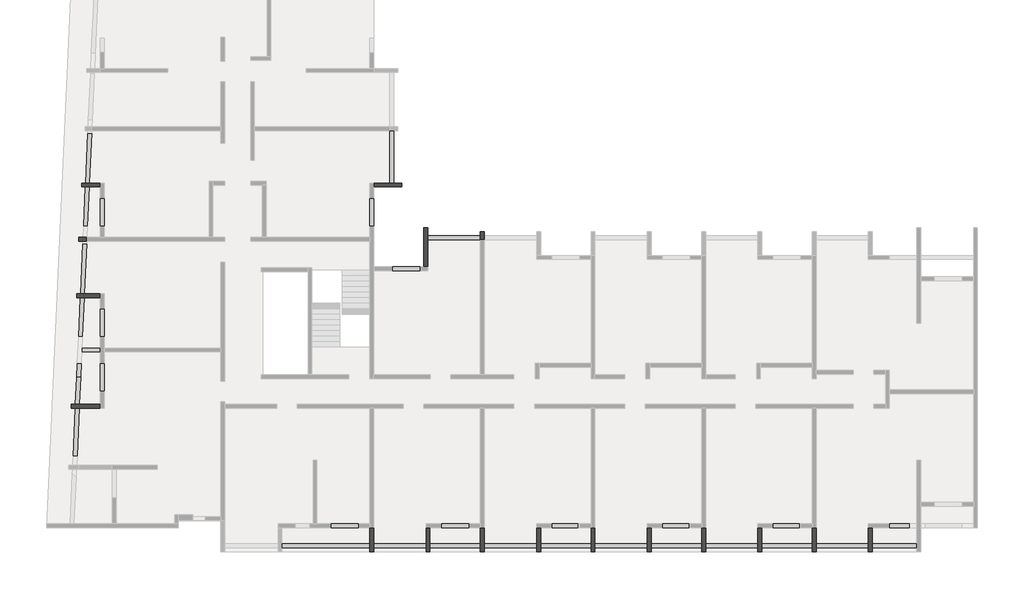
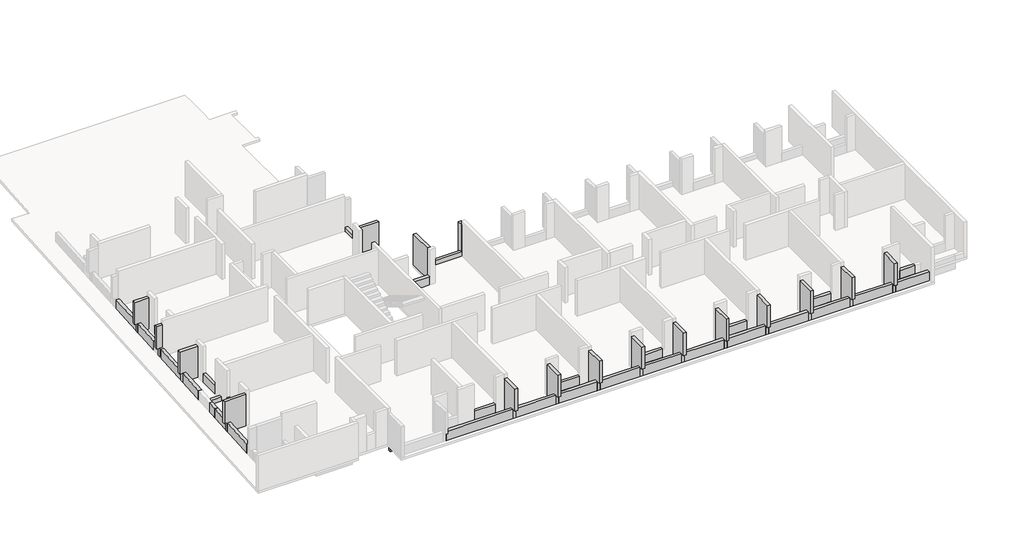
# One storey, part 4 of 5: 50 beams.
"""IFC4 building model written with IfcOpenShell, lengths in millimetres."""

from ifc_helpers import new_model, si_unit, frame, origin, place, context, project, spatial, polyline, outline, extrude, faceted_brep, element, save

model = new_model("IFC4")

# Units and contexts
model_context = context("Model", 3, world=origin())
ifc_project = project(units=[si_unit("LENGTHUNIT", "METRE", prefix="MILLI")], contexts=[model_context])

# Site, building, storey
site = spatial("IfcSite", under=ifc_project)
building = spatial("IfcBuilding", under=site)
storey = spatial("IfcBuildingStorey", under=building, Elevation=4700.0)

# Beams
placement = place(None, origin())
element("IfcBeam", 1, ObjectType="V. 20/60", at=placement, inside=storey, context=model_context, shape_type="SweptSolid", body=[
    extrude(outline(polyline([(-23625.6912908, -18849.1283129), (-23625.6912908, -19049.1283129), (-29015.6912908, -19049.1283129), (-29015.6912908, -18849.1283129), (-23625.6912908, -18849.1283129)])), frame((0.0, 0.0, 4100.0), z_axis=(0.0, 0.0, 1.0), x_axis=(1.0, 0.0, 0.0)), (0.0, 0.0, 1.0), 450.0),
    extrude(outline(polyline([(-31935.6912908, -19049.1283129), (-31935.6912908, -18849.1283129), (-29315.6912908, -18849.1283129), (-29315.6912908, -19049.1283129), (-31935.6912908, -19049.1283129)])), frame((0.0, 0.0, 4100.0), z_axis=(0.0, 0.0, 1.0), x_axis=(1.0, 0.0, 0.0)), (0.0, 0.0, 1.0), 450.0),
    extrude(outline(polyline([(-32235.6912908, -18849.1283129), (-32235.6912908, -19049.1283129), (-36735.6912908, -19049.1283129), (-36735.6912908, -18849.1283129), (-32235.6912908, -18849.1283129)])), frame((0.0, 0.0, 4100.0), z_axis=(0.0, 0.0, 1.0), x_axis=(1.0, 0.0, 0.0)), (0.0, 0.0, 1.0), 450.0),
])
element("IfcBeam", 2, ObjectType="VI. 20/238", at=placement, inside=storey, context=model_context, shape_type="Brep", body=[
    faceted_brep([(-26495.6912908, -3999.0672499, 6930.0), (-26295.6912908, -3999.0672499, 6930.0), (-26295.6912908, -3999.0672499, 4700.0), (-26495.6912908, -3999.0672499, 4700.0), (-26295.6912908, -6004.0672499, 6930.0), (-26495.6912908, -6004.0672499, 6930.0), (-26495.6912908, -6004.0672499, 4700.0), (-26295.6912908, -6004.0672499, 4700.0), (-26295.6912908, -4599.0672499, 4700.0), (-26295.6912908, -4399.0672499, 4700.0)], [[[0, 1, 2, 3]], [[4, 5, 6, 7]], [[1, 4, 7, 8, 9, 2]], [[5, 0, 3, 6]], [[1, 0, 5, 4]], [[3, 2, 9, 8, 7, 6]]]),
])
element("IfcBeam", 3, ObjectType="VI. 20/238", at=placement, inside=storey, context=model_context, shape_type="Brep", body=[
    faceted_brep([(-3415.6912908, -20669.0672499, 6930.0), (-3615.6912908, -20669.0672499, 6930.0), (-3615.6912908, -20669.0672499, 5350.0), (-3415.6912908, -20669.0672499, 5350.0), (-3615.6912908, -19419.0672499, 6930.0), (-3415.6912908, -19419.0672499, 6930.0), (-3415.6912908, -19419.0672499, 4700.0), (-3615.6912908, -19419.0672499, 4700.0), (-3615.6912908, -20249.0672499, 4700.0), (-3615.6912908, -20449.0672499, 4700.0), (-3615.6912908, -20449.0672499, 5350.0), (-3415.6912908, -20449.0672499, 5350.0), (-3415.6912908, -20449.0672499, 4700.0), (-3415.6912908, -20249.0672499, 4700.0)], [[[0, 1, 2, 3]], [[4, 5, 6, 7]], [[1, 4, 7, 8, 9, 10, 2]], [[5, 0, 3, 11, 12, 13, 6]], [[1, 0, 5, 4]], [[7, 6, 13, 12, 9, 8]], [[11, 10, 9, 12]], [[10, 11, 3, 2]]]),
])
element("IfcBeam", 4, ObjectType="VI. 20/238", at=placement, inside=storey, context=model_context, shape_type="Brep", body=[
    faceted_brep([(-6305.6912908, -20669.0672499, 6930.0), (-6505.6912908, -20669.0672499, 6930.0), (-6505.6912908, -20669.0672499, 5350.0), (-6305.6912908, -20669.0672499, 5350.0), (-6505.6912908, -19419.0672499, 6930.0), (-6305.6912908, -19419.0672499, 6930.0), (-6305.6912908, -19419.0672499, 4700.0), (-6505.6912908, -19419.0672499, 4700.0), (-6505.6912908, -20249.0672499, 4700.0), (-6505.6912908, -20449.0672499, 4700.0), (-6505.6912908, -20449.0672499, 5350.0), (-6305.6912908, -20449.0672499, 5350.0), (-6305.6912908, -20449.0672499, 4700.0), (-6305.6912908, -20249.0672499, 4700.0)], [[[0, 1, 2, 3]], [[4, 5, 6, 7]], [[1, 4, 7, 8, 9, 10, 2]], [[5, 0, 3, 11, 12, 13, 6]], [[1, 0, 5, 4]], [[7, 6, 13, 12, 9, 8]], [[11, 10, 9, 12]], [[10, 11, 3, 2]]]),
])
element("IfcBeam", 5, ObjectType="VI. 20/238", at=placement, inside=storey, context=model_context, shape_type="Brep", body=[
    faceted_brep([(-9105.6912908, -20669.0672499, 6930.0), (-9305.6912908, -20669.0672499, 6930.0), (-9305.6912908, -20669.0672499, 5350.0), (-9105.6912908, -20669.0672499, 5350.0), (-9305.6912908, -19419.0672499, 6930.0), (-9105.6912908, -19419.0672499, 6930.0), (-9105.6912908, -19419.0672499, 4700.0), (-9305.6912908, -19419.0672499, 4700.0), (-9305.6912908, -20249.0672499, 4700.0), (-9305.6912908, -20449.0672499, 4700.0), (-9305.6912908, -20449.0672499, 5350.0), (-9105.6912908, -20449.0672499, 5350.0), (-9105.6912908, -20449.0672499, 4700.0), (-9105.6912908, -20249.0672499, 4700.0)], [[[0, 1, 2, 3]], [[4, 5, 6, 7]], [[1, 4, 7, 8, 9, 10, 2]], [[5, 0, 3, 11, 12, 13, 6]], [[1, 0, 5, 4]], [[7, 6, 13, 12, 9, 8]], [[11, 10, 9, 12]], [[10, 11, 3, 2]]]),
])
element("IfcBeam", 6, ObjectType="VI. 20/238", at=placement, inside=storey, context=model_context, shape_type="Brep", body=[
    faceted_brep([(-11995.6912908, -20669.0672499, 6930.0), (-12195.6912908, -20669.0672499, 6930.0), (-12195.6912908, -20669.0672499, 5350.0), (-11995.6912908, -20669.0672499, 5350.0), (-12195.6912908, -19419.0672499, 6930.0), (-11995.6912908, -19419.0672499, 6930.0), (-11995.6912908, -19419.0672499, 4700.0), (-12195.6912908, -19419.0672499, 4700.0), (-12195.6912908, -20249.0672499, 4700.0), (-12195.6912908, -20449.0672499, 4700.0), (-12195.6912908, -20449.0672499, 5350.0), (-11995.6912908, -20449.0672499, 5350.0), (-11995.6912908, -20449.0672499, 4700.0), (-11995.6912908, -20249.0672499, 4700.0)], [[[0, 1, 2, 3]], [[4, 5, 6, 7]], [[1, 4, 7, 8, 9, 10, 2]], [[5, 0, 3, 11, 12, 13, 6]], [[1, 0, 5, 4]], [[7, 6, 13, 12, 9, 8]], [[11, 10, 9, 12]], [[10, 11, 3, 2]]]),
])
element("IfcBeam", 7, ObjectType="VI. 20/238", at=placement, inside=storey, context=model_context, shape_type="Brep", body=[
    faceted_brep([(-14795.6912908, -20669.0672499, 6930.0), (-14995.6912908, -20669.0672499, 6930.0), (-14995.6912908, -20669.0672499, 5350.0), (-14795.6912908, -20669.0672499, 5350.0), (-14995.6912908, -19419.0672499, 6930.0), (-14795.6912908, -19419.0672499, 6930.0), (-14795.6912908, -19419.0672499, 4700.0), (-14995.6912908, -19419.0672499, 4700.0), (-14995.6912908, -20249.0672499, 4700.0), (-14995.6912908, -20449.0672499, 4700.0), (-14995.6912908, -20449.0672499, 5350.0), (-14795.6912908, -20449.0672499, 5350.0), (-14795.6912908, -20449.0672499, 4700.0), (-14795.6912908, -20249.0672499, 4700.0)], [[[0, 1, 2, 3]], [[4, 5, 6, 7]], [[1, 4, 7, 8, 9, 10, 2]], [[5, 0, 3, 11, 12, 13, 6]], [[1, 0, 5, 4]], [[7, 6, 13, 12, 9, 8]], [[11, 10, 9, 12]], [[10, 11, 3, 2]]]),
])
element("IfcBeam", 8, ObjectType="VI. 20/238", at=placement, inside=storey, context=model_context, shape_type="Brep", body=[
    faceted_brep([(-17685.6912908, -20669.0672499, 6930.0), (-17885.6912908, -20669.0672499, 6930.0), (-17885.6912908, -20669.0672499, 5350.0), (-17685.6912908, -20669.0672499, 5350.0), (-17885.6912908, -19419.0672499, 6930.0), (-17685.6912908, -19419.0672499, 6930.0), (-17685.6912908, -19419.0672499, 4700.0), (-17885.6912908, -19419.0672499, 4700.0), (-17885.6912908, -20249.0672499, 4700.0), (-17885.6912908, -20449.0672499, 4700.0), (-17885.6912908, -20449.0672499, 5350.0), (-17685.6912908, -20449.0672499, 5350.0), (-17685.6912908, -20449.0672499, 4700.0), (-17685.6912908, -20249.0672499, 4700.0)], [[[0, 1, 2, 3]], [[4, 5, 6, 7]], [[1, 4, 7, 8, 9, 10, 2]], [[5, 0, 3, 11, 12, 13, 6]], [[1, 0, 5, 4]], [[7, 6, 13, 12, 9, 8]], [[11, 10, 9, 12]], [[10, 11, 3, 2]]]),
])
element("IfcBeam", 9, ObjectType="VI. 20/238", at=placement, inside=storey, context=model_context, shape_type="Brep", body=[
    faceted_brep([(-20485.6912908, -20669.0672499, 6930.0), (-20685.6912908, -20669.0672499, 6930.0), (-20685.6912908, -20669.0672499, 5350.0), (-20485.6912908, -20669.0672499, 5350.0), (-20685.6912908, -19419.0672499, 6930.0), (-20485.6912908, -19419.0672499, 6930.0), (-20485.6912908, -19419.0672499, 4700.0), (-20685.6912908, -19419.0672499, 4700.0), (-20685.6912908, -20249.0672499, 4700.0), (-20685.6912908, -20449.0672499, 4700.0), (-20685.6912908, -20449.0672499, 5350.0), (-20485.6912908, -20449.0672499, 5350.0), (-20485.6912908, -20449.0672499, 4700.0), (-20485.6912908, -20249.0672499, 4700.0)], [[[0, 1, 2, 3]], [[4, 5, 6, 7]], [[1, 4, 7, 8, 9, 10, 2]], [[5, 0, 3, 11, 12, 13, 6]], [[1, 0, 5, 4]], [[7, 6, 13, 12, 9, 8]], [[11, 10, 9, 12]], [[10, 11, 3, 2]]]),
])
element("IfcBeam", 10, ObjectType="VI. 20/238", at=placement, inside=storey, context=model_context, shape_type="Brep", body=[
    faceted_brep([(-23375.6912908, -20669.0672499, 6930.0), (-23575.6912908, -20669.0672499, 6930.0), (-23575.6912908, -20669.0672499, 5350.0), (-23375.6912908, -20669.0672499, 5350.0), (-23575.6912908, -19419.0672499, 6930.0), (-23375.6912908, -19419.0672499, 6930.0), (-23375.6912908, -19419.0672499, 4700.0), (-23575.6912908, -19419.0672499, 4700.0), (-23575.6912908, -20249.0672499, 4700.0), (-23575.6912908, -20449.0672499, 4700.0), (-23575.6912908, -20449.0672499, 5350.0), (-23375.6912908, -20449.0672499, 5350.0), (-23375.6912908, -20449.0672499, 4700.0), (-23375.6912908, -20249.0672499, 4700.0)], [[[0, 1, 2, 3]], [[4, 5, 6, 7]], [[1, 4, 7, 8, 9, 10, 2]], [[5, 0, 3, 11, 12, 13, 6]], [[1, 0, 5, 4]], [[7, 6, 13, 12, 9, 8]], [[11, 10, 9, 12]], [[10, 11, 3, 2]]]),
])
element("IfcBeam", 11, ObjectType="VI. 20/238", at=placement, inside=storey, context=model_context, shape_type="Brep", body=[
    faceted_brep([(-26175.6912908, -20669.0672499, 6930.0), (-26375.6912908, -20669.0672499, 6930.0), (-26375.6912908, -20669.0672499, 5350.0), (-26175.6912908, -20669.0672499, 5350.0), (-26375.6912908, -19419.0672499, 6930.0), (-26175.6912908, -19419.0672499, 6930.0), (-26175.6912908, -19419.0672499, 4700.0), (-26375.6912908, -19419.0672499, 4700.0), (-26375.6912908, -20249.0672499, 4700.0), (-26375.6912908, -20449.0672499, 4700.0), (-26375.6912908, -20449.0672499, 5350.0), (-26175.6912908, -20449.0672499, 5350.0), (-26175.6912908, -20449.0672499, 4700.0), (-26175.6912908, -20249.0672499, 4700.0)], [[[0, 1, 2, 3]], [[4, 5, 6, 7]], [[1, 4, 7, 8, 9, 10, 2]], [[5, 0, 3, 11, 12, 13, 6]], [[1, 0, 5, 4]], [[7, 6, 13, 12, 9, 8]], [[11, 10, 9, 12]], [[10, 11, 3, 2]]]),
])
element("IfcBeam", 12, ObjectType="VI. 20/238", at=placement, inside=storey, context=model_context, shape_type="Brep", body=[
    faceted_brep([(-29065.6912908, -20669.0672499, 6930.0), (-29265.6912908, -20669.0672499, 6930.0), (-29265.6912908, -20669.0672499, 5350.0), (-29065.6912908, -20669.0672499, 5350.0), (-29265.6912908, -19419.0672499, 6930.0), (-29065.6912908, -19419.0672499, 6930.0), (-29065.6912908, -19419.0672499, 4700.0), (-29265.6912908, -19419.0672499, 4700.0), (-29265.6912908, -20249.0672499, 4700.0), (-29265.6912908, -20449.0672499, 4700.0), (-29265.6912908, -20449.0672499, 5350.0), (-29065.6912908, -20449.0672499, 5350.0), (-29065.6912908, -20449.0672499, 4700.0), (-29065.6912908, -20249.0672499, 4700.0)], [[[0, 1, 2, 3]], [[4, 5, 6, 7]], [[1, 4, 7, 8, 9, 10, 2]], [[5, 0, 3, 11, 12, 13, 6]], [[1, 0, 5, 4]], [[7, 6, 13, 12, 9, 8]], [[11, 10, 9, 12]], [[10, 11, 3, 2]]]),
])
element("IfcBeam", 13, ObjectType="VI. 20/238", at=placement, inside=storey, context=model_context, shape_type="Brep", body=[
    faceted_brep([(-44615.6912908, -13279.0672499, 6930.0), (-44615.6912908, -13079.0672499, 6930.0), (-44615.6912908, -13079.0672499, 5350.0), (-44615.6912908, -13279.0672499, 5350.0), (-43135.6912908, -13079.0672499, 6930.0), (-43135.6912908, -13079.0672499, 4700.0), (-44210.3575789, -13079.0672499, 4700.0), (-44410.5632706, -13079.0672499, 4700.0), (-44424.6224962, -13079.0672499, 4700.0), (-44424.6224962, -13079.0672499, 5350.0), (-44424.6224962, -13279.0672499, 5350.0), (-44424.6224962, -13279.0672499, 4700.0), (-44419.6362531, -13279.0672499, 4700.0), (-44219.4305613, -13279.0672499, 4700.0), (-43135.6912908, -13279.0672499, 4700.0), (-43135.6912908, -13279.0672499, 6930.0)], [[[0, 1, 2, 3]], [[2, 1, 4, 5, 6, 7, 8, 9]], [[0, 3, 10, 11, 12, 13, 14, 15]], [[1, 0, 15, 4]], [[11, 8, 7, 6, 5, 14, 13, 12]], [[5, 4, 15, 14]], [[10, 9, 8, 11]], [[9, 10, 3, 2]]]),
])
element("IfcBeam", 14, ObjectType="VI. 20/238", at=placement, inside=storey, context=model_context, shape_type="Brep", body=[
    faceted_brep([(-44355.6912908, -7579.0672499, 6930.0), (-44355.6912908, -7379.0672499, 6930.0), (-44355.6912908, -7379.0672499, 5350.0), (-44355.6912908, -7579.0672499, 5350.0), (-43135.6912908, -7379.0672499, 6930.0), (-43135.6912908, -7379.0672499, 4700.0), (-43951.7775788, -7379.0672499, 4700.0), (-44151.9832705, -7379.0672499, 4700.0), (-44163.7405888, -7379.0672499, 4700.0), (-44163.7405888, -7379.0672499, 5350.0), (-43135.6912908, -7579.0672499, 6930.0), (-44163.7405888, -7579.0672499, 5350.0), (-44163.7405888, -7579.0672499, 4700.0), (-44161.056253, -7579.0672499, 4700.0), (-43960.8505612, -7579.0672499, 4700.0), (-43135.6912908, -7579.0672499, 4700.0)], [[[0, 1, 2, 3]], [[1, 4, 5, 6, 7, 8, 9, 2]], [[10, 0, 3, 11, 12, 13, 14, 15]], [[1, 0, 10, 4]], [[5, 4, 10, 15]], [[8, 7, 6, 5, 15, 14, 13, 12]], [[11, 9, 8, 12]], [[9, 11, 3, 2]]]),
])
element("IfcBeam", 15, ObjectType="VI. 20/238", at=placement, inside=storey, context=model_context, shape_type="Brep", body=[
    faceted_brep([(-44100.6912908, -1889.5482142, 6930.0), (-44100.6912908, -1689.5482142, 6930.0), (-44100.6912908, -1689.5482142, 5350.0), (-44100.6912908, -1889.5482142, 5350.0), (-43904.8566201, -1889.5482142, 5350.0), (-43904.8566201, -1889.5482142, 4700.0), (-43902.9517209, -1889.5482142, 4700.0), (-43702.7460292, -1889.5482142, 4700.0), (-43135.6912908, -1889.5482142, 4700.0), (-43135.6912908, -1889.5482142, 6930.0), (-43135.6912908, -1689.5482142, 6930.0), (-43135.6912908, -1689.5482142, 4700.0), (-43693.6730467, -1689.5482142, 4700.0), (-43893.8787384, -1689.5482142, 4700.0), (-43904.8566201, -1689.5482142, 4700.0), (-43904.8566201, -1689.5482142, 5350.0)], [[[0, 1, 2, 3]], [[0, 3, 4, 5, 6, 7, 8, 9]], [[2, 1, 10, 11, 12, 13, 14, 15]], [[1, 0, 9, 10]], [[5, 14, 13, 12, 11, 8, 7, 6]], [[9, 8, 11, 10]], [[4, 15, 14, 5]], [[15, 4, 3, 2]]]),
])
element("IfcBeam", 16, ObjectType="VI. 20/238", at=placement, inside=storey, context=model_context, shape_type="Brep", body=[
    faceted_brep([(-29065.6912908, -1889.5482142, 6930.0), (-29065.6912908, -1689.5482142, 6930.0), (-29065.6912908, -1689.5482142, 4700.0), (-29065.6912908, -1889.5482142, 4700.0), (-27635.6912908, -1689.5482142, 6930.0), (-27635.6912908, -1889.5482142, 6930.0), (-27635.6912908, -1889.5482142, 4700.0), (-27635.6912908, -1689.5482142, 4700.0), (-28035.6912908, -1689.5482142, 4700.0), (-28235.6912908, -1689.5482142, 4700.0)], [[[0, 1, 2, 3]], [[4, 5, 6, 7]], [[1, 4, 7, 8, 9, 2]], [[5, 0, 3, 6]], [[1, 0, 5, 4]], [[3, 2, 9, 8, 7, 6]]]),
])
element("IfcBeam", 17, ObjectType="VI. 20/238", at=placement, inside=storey, context=model_context, shape_type="Brep", body=[
    faceted_brep([(-23375.6912908, -4599.0672499, 6930.0), (-23575.6912908, -4599.0672499, 6930.0), (-23575.6912908, -4599.0672499, 5000.0), (-23575.6912908, -4599.0672499, 4700.0), (-23375.6912908, -4599.0672499, 4700.0), (-23375.6912908, -4599.0672499, 5000.0), (-23575.6912908, -4199.0672499, 6930.0), (-23375.6912908, -4199.0672499, 6930.0), (-23375.6912908, -4199.0672499, 4700.0), (-23575.6912908, -4199.0672499, 4700.0), (-23575.6912908, -4399.0672499, 4700.0), (-23375.6912908, -4399.0672499, 4700.0)], [[[0, 1, 2, 3, 4, 5]], [[6, 7, 8, 9]], [[1, 6, 9, 10, 3, 2]], [[7, 0, 5, 4, 11, 8]], [[1, 0, 7, 6]], [[4, 3, 10, 9, 8, 11]]]),
])
element("IfcBeam", 18, ObjectType="VI. 20/238", at=placement, inside=storey, context=model_context, shape_type="Brep", body=[
    faceted_brep([(-44235.6912908, -4689.0672499, 6930.0), (-44235.6912908, -4489.0672499, 6930.0), (-44235.6912908, -4489.0672499, 5350.0), (-44235.6912908, -4689.0672499, 5350.0), (-43820.6729822, -4489.0672499, 6930.0), (-43820.6729822, -4489.0672499, 5350.0), (-44020.878674, -4489.0672499, 5350.0), (-44020.878674, -4489.0672499, 4700.0), (-44029.9516564, -4489.0672499, 4700.0), (-44029.9516564, -4489.0672499, 5350.0), (-43829.7459647, -4689.0672499, 6930.0), (-44029.9516564, -4689.0672499, 5350.0), (-43829.7459647, -4689.0672499, 5350.0), (-44029.9516564, -4689.0672499, 4700.0)], [[[0, 1, 2, 3]], [[1, 4, 5, 6, 7, 8, 9, 2]], [[10, 0, 3, 11, 12]], [[1, 0, 10, 4]], [[13, 8, 7]], [[6, 11, 13, 7]], [[11, 6, 5, 12]], [[4, 10, 12, 5]], [[11, 9, 8, 13]], [[9, 11, 3, 2]]]),
])
element("IfcBeam", 19, ObjectType="VI. 20/45", at=placement, inside=storey, context=model_context, shape_type="SweptSolid", body=[
    extrude(outline(polyline([(-23575.6912908, -4399.0672499), (-23575.6912908, -4599.0672499), (-26295.6912908, -4599.0672499), (-26295.6912908, -4399.0672499), (-23575.6912908, -4399.0672499)])), frame((0.0, 0.0, 4700.0), z_axis=(0.0, 0.0, 1.0), x_axis=(1.0, 0.0, 0.0)), (0.0, 0.0, 1.0), 300.0),
])
element("IfcBeam", 20, ObjectType="VI. 20/45", at=placement, inside=storey, context=model_context, shape_type="SweptSolid", body=[
    extrude(outline(polyline([(-28235.6912908, 1000.9327501), (-28035.6912908, 1000.9327501), (-28035.6912908, -1689.5482142), (-28235.6912908, -1689.5482142), (-28235.6912908, 1000.9327501)])), frame((0.0, 0.0, 4700.0), z_axis=(0.0, 0.0, 1.0), x_axis=(1.0, 0.0, 0.0)), (0.0, 0.0, 1.0), 300.0),
])
element("IfcBeam", 21, ObjectType="VI. 20/45", at=placement, inside=storey, context=model_context, shape_type="SweptSolid", body=[
    extrude(outline(polyline([(-43135.6912908, -10179.0672499), (-43135.6912908, -10379.0672499), (-44087.8723157, -10379.0672499), (-44078.7993332, -10179.0672499), (-43135.6912908, -10179.0672499)])), frame((0.0, 0.0, 4700.0), z_axis=(0.0, 0.0, 1.0), x_axis=(1.0, 0.0, 0.0)), (0.0, 0.0, 1.0), 300.0),
])
element("IfcBeam", 22, ObjectType="VI. 20/60", at=placement, inside=storey, context=model_context, shape_type="SweptSolid", body=[
    extrude(outline(polyline([(-3615.6912908, -19219.0672499), (-3615.6912908, -19419.0672499), (-6255.6912908, -19419.0672499), (-6255.6912908, -19219.0672499), (-3615.6912908, -19219.0672499)])), frame((0.0, 0.0, 4100.0), z_axis=(0.0, 0.0, 1.0), x_axis=(1.0, 0.0, 0.0)), (0.0, 0.0, 1.0), 450.0),
])
element("IfcBeam", 23, ObjectType="VI. 20/60", at=placement, inside=storey, context=model_context, shape_type="SweptSolid", body=[
    extrude(outline(polyline([(-9305.6912908, -19219.0672499), (-9305.6912908, -19419.0672499), (-11945.6912908, -19419.0672499), (-11945.6912908, -19219.0672499), (-9305.6912908, -19219.0672499)])), frame((0.0, 0.0, 4100.0), z_axis=(0.0, 0.0, 1.0), x_axis=(1.0, 0.0, 0.0)), (0.0, 0.0, 1.0), 450.0),
])
element("IfcBeam", 24, ObjectType="VI. 20/60", at=placement, inside=storey, context=model_context, shape_type="SweptSolid", body=[
    extrude(outline(polyline([(-14995.6912908, -19219.0672499), (-14995.6912908, -19419.0672499), (-17635.6912908, -19419.0672499), (-17635.6912908, -19219.0672499), (-14995.6912908, -19219.0672499)])), frame((0.0, 0.0, 4100.0), z_axis=(0.0, 0.0, 1.0), x_axis=(1.0, 0.0, 0.0)), (0.0, 0.0, 1.0), 450.0),
])
element("IfcBeam", 25, ObjectType="VI. 20/60", at=placement, inside=storey, context=model_context, shape_type="SweptSolid", body=[
    extrude(outline(polyline([(-20685.6912908, -19219.0672499), (-20685.6912908, -19419.0672499), (-23325.6912908, -19419.0672499), (-23325.6912908, -19219.0672499), (-20685.6912908, -19219.0672499)])), frame((0.0, 0.0, 4100.0), z_axis=(0.0, 0.0, 1.0), x_axis=(1.0, 0.0, 0.0)), (0.0, 0.0, 1.0), 450.0),
])
element("IfcBeam", 26, ObjectType="VI. 20/75", at=placement, inside=storey, context=model_context, shape_type="SweptSolid", body=[
    extrude(outline(polyline([(-24155.6912908, -19219.0672499), (-24155.6912908, -19419.0672499), (-25595.6912908, -19419.0672499), (-25595.6912908, -19219.0672499), (-24155.6912908, -19219.0672499)])), frame((0.0, 0.0, 4700.0), z_axis=(0.0, 0.0, 1.0), x_axis=(1.0, 0.0, 0.0)), (0.0, 0.0, 1.0), 600.0),
])
element("IfcBeam", 27, ObjectType="VI. 20/75", at=placement, inside=storey, context=model_context, shape_type="SweptSolid", body=[
    extrude(outline(polyline([(-29845.6912908, -19219.0672499), (-29845.6912908, -19419.0672499), (-31285.6912908, -19419.0672499), (-31285.6912908, -19219.0672499), (-29845.6912908, -19219.0672499)])), frame((0.0, 0.0, 4700.0), z_axis=(0.0, 0.0, 1.0), x_axis=(1.0, 0.0, 0.0)), (0.0, 0.0, 1.0), 600.0),
])
element("IfcBeam", 28, ObjectType="VI. 20/75", at=placement, inside=storey, context=model_context, shape_type="SweptSolid", body=[
    extrude(outline(polyline([(-29065.6912908, -3909.0672499), (-29265.6912908, -3909.0672499), (-29265.6912908, -2469.0672499), (-29065.6912908, -2469.0672499), (-29065.6912908, -3909.0672499)])), frame((0.0, 0.0, 4700.0), z_axis=(0.0, 0.0, 1.0), x_axis=(1.0, 0.0, 0.0)), (0.0, 0.0, 1.0), 600.0),
])
element("IfcBeam", 29, ObjectType="VI. 20/75", at=placement, inside=storey, context=model_context, shape_type="SweptSolid", body=[
    extrude(outline(polyline([(-42935.6912908, -3909.0672499), (-43135.6912908, -3909.0672499), (-43135.6912908, -2469.0672499), (-42935.6912908, -2469.0672499), (-42935.6912908, -3909.0672499)])), frame((0.0, 0.0, 4700.0), z_axis=(0.0, 0.0, 1.0), x_axis=(1.0, 0.0, 0.0)), (0.0, 0.0, 1.0), 600.0),
])
element("IfcBeam", 30, ObjectType="VI. 20/75", at=placement, inside=storey, context=model_context, shape_type="SweptSolid", body=[
    extrude(outline(polyline([(-42935.6912908, -9599.0672499), (-43135.6912908, -9599.0672499), (-43135.6912908, -8159.0672499), (-42935.6912908, -8159.0672499), (-42935.6912908, -9599.0672499)])), frame((0.0, 0.0, 4700.0), z_axis=(0.0, 0.0, 1.0), x_axis=(1.0, 0.0, 0.0)), (0.0, 0.0, 1.0), 600.0),
])
element("IfcBeam", 31, ObjectType="VI. 20/75", at=placement, inside=storey, context=model_context, shape_type="SweptSolid", body=[
    extrude(outline(polyline([(-42935.6912908, -12399.0672499), (-43135.6912908, -12399.0672499), (-43135.6912908, -10959.0672499), (-42935.6912908, -10959.0672499), (-42935.6912908, -12399.0672499)])), frame((0.0, 0.0, 4700.0), z_axis=(0.0, 0.0, 1.0), x_axis=(1.0, 0.0, 0.0)), (0.0, 0.0, 1.0), 600.0),
])
element("IfcBeam", 32, ObjectType="VI. 20/75", at=placement, inside=storey, context=model_context, shape_type="SweptSolid", body=[
    extrude(outline(polyline([(-26675.6912908, -6004.0672499), (-26675.6912908, -6204.0672499), (-28115.6912908, -6204.0672499), (-28115.6912908, -6004.0672499), (-26675.6912908, -6004.0672499)])), frame((0.0, 0.0, 4700.0), z_axis=(0.0, 0.0, 1.0), x_axis=(1.0, 0.0, 0.0)), (0.0, 0.0, 1.0), 600.0),
])
element("IfcBeam", 33, ObjectType="VI. 20/80", at=placement, inside=storey, context=model_context, shape_type="SweptSolid", body=[
    extrude(outline(polyline([(-6305.6912908, -20449.0672499), (-6305.6912908, -20249.0672499), (-3615.6912908, -20249.0672499), (-3615.6912908, -20449.0672499), (-6305.6912908, -20449.0672499)])), frame((0.0, 0.0, 4700.0), z_axis=(0.0, 0.0, 1.0), x_axis=(1.0, 0.0, 0.0)), (0.0, 0.0, 1.0), 650.0),
])
element("IfcBeam", 34, ObjectType="VI. 20/80", at=placement, inside=storey, context=model_context, shape_type="SweptSolid", body=[
    extrude(outline(polyline([(-11995.6912908, -20449.0672499), (-11995.6912908, -20249.0672499), (-9305.6912908, -20249.0672499), (-9305.6912908, -20449.0672499), (-11995.6912908, -20449.0672499)])), frame((0.0, 0.0, 4700.0), z_axis=(0.0, 0.0, 1.0), x_axis=(1.0, 0.0, 0.0)), (0.0, 0.0, 1.0), 650.0),
])
element("IfcBeam", 35, ObjectType="VI. 20/80", at=placement, inside=storey, context=model_context, shape_type="SweptSolid", body=[
    extrude(outline(polyline([(-17685.6912908, -20449.0672499), (-17685.6912908, -20249.0672499), (-14995.6912908, -20249.0672499), (-14995.6912908, -20449.0672499), (-17685.6912908, -20449.0672499)])), frame((0.0, 0.0, 4700.0), z_axis=(0.0, 0.0, 1.0), x_axis=(1.0, 0.0, 0.0)), (0.0, 0.0, 1.0), 650.0),
])
element("IfcBeam", 36, ObjectType="VI. 20/80", at=placement, inside=storey, context=model_context, shape_type="SweptSolid", body=[
    extrude(outline(polyline([(-23375.6912908, -20449.0672499), (-23375.6912908, -20249.0672499), (-20685.6912908, -20249.0672499), (-20685.6912908, -20449.0672499), (-23375.6912908, -20449.0672499)])), frame((0.0, 0.0, 4700.0), z_axis=(0.0, 0.0, 1.0), x_axis=(1.0, 0.0, 0.0)), (0.0, 0.0, 1.0), 650.0),
])
element("IfcBeam", 37, ObjectType="VI. 20/80", at=placement, inside=storey, context=model_context, shape_type="SweptSolid", body=[
    extrude(outline(polyline([(-29065.6912908, -20449.0672499), (-29065.6912908, -20249.0672499), (-26375.6912908, -20249.0672499), (-26375.6912908, -20449.0672499), (-29065.6912908, -20449.0672499)])), frame((0.0, 0.0, 4700.0), z_axis=(0.0, 0.0, 1.0), x_axis=(1.0, 0.0, 0.0)), (0.0, 0.0, 1.0), 650.0),
])
element("IfcBeam", 38, ObjectType="VI. 20/80", at=placement, inside=storey, context=model_context, shape_type="SweptSolid", body=[
    extrude(outline(polyline([(-6505.6912908, -20249.0672499), (-6505.6912908, -20449.0672499), (-9105.6912908, -20449.0672499), (-9105.6912908, -20249.0672499), (-6505.6912908, -20249.0672499)])), frame((0.0, 0.0, 4700.0), z_axis=(0.0, 0.0, 1.0), x_axis=(1.0, 0.0, 0.0)), (0.0, 0.0, 1.0), 650.0),
])
element("IfcBeam", 39, ObjectType="VI. 20/80", at=placement, inside=storey, context=model_context, shape_type="SweptSolid", body=[
    extrude(outline(polyline([(-12195.6912908, -20249.0672499), (-12195.6912908, -20449.0672499), (-14795.6912908, -20449.0672499), (-14795.6912908, -20249.0672499), (-12195.6912908, -20249.0672499)])), frame((0.0, 0.0, 4700.0), z_axis=(0.0, 0.0, 1.0), x_axis=(1.0, 0.0, 0.0)), (0.0, 0.0, 1.0), 650.0),
])
element("IfcBeam", 40, ObjectType="VI. 20/80", at=placement, inside=storey, context=model_context, shape_type="SweptSolid", body=[
    extrude(outline(polyline([(-17885.6912908, -20249.0672499), (-17885.6912908, -20449.0672499), (-20485.6912908, -20449.0672499), (-20485.6912908, -20249.0672499), (-17885.6912908, -20249.0672499)])), frame((0.0, 0.0, 4700.0), z_axis=(0.0, 0.0, 1.0), x_axis=(1.0, 0.0, 0.0)), (0.0, 0.0, 1.0), 650.0),
])
element("IfcBeam", 41, ObjectType="VI. 20/80", at=placement, inside=storey, context=model_context, shape_type="SweptSolid", body=[
    extrude(outline(polyline([(-23575.6912908, -20249.0672499), (-23575.6912908, -20449.0672499), (-26175.6912908, -20449.0672499), (-26175.6912908, -20249.0672499), (-23575.6912908, -20249.0672499)])), frame((0.0, 0.0, 4700.0), z_axis=(0.0, 0.0, 1.0), x_axis=(1.0, 0.0, 0.0)), (0.0, 0.0, 1.0), 650.0),
])
element("IfcBeam", 42, ObjectType="VI. 20/80", at=placement, inside=storey, context=model_context, shape_type="SweptSolid", body=[
    extrude(outline(polyline([(-29265.6912908, -20249.0672499), (-29265.6912908, -20449.0672499), (-33785.6912908, -20449.0672499), (-33785.6912908, -20249.0672499), (-29265.6912908, -20249.0672499)])), frame((0.0, 0.0, 4700.0), z_axis=(0.0, 0.0, 1.0), x_axis=(1.0, 0.0, 0.0)), (0.0, 0.0, 1.0), 650.0),
])
element("IfcBeam", 43, ObjectType="VI. 20/80", at=placement, inside=storey, context=model_context, shape_type="SweptSolid", body=[
    extrude(outline(polyline([(-1125.6912908, -20249.0672499), (-1125.6912908, -20449.0672499), (-3415.6912908, -20449.0672499), (-3415.6912908, -20249.0672499), (-1125.6912908, -20249.0672499)])), frame((0.0, 0.0, 4700.0), z_axis=(0.0, 0.0, 1.0), x_axis=(1.0, 0.0, 0.0)), (0.0, 0.0, 1.0), 650.0),
])
element("IfcBeam", 44, ObjectType="VSI. 20/60+60", at=placement, inside=storey, context=model_context, shape_type="SweptSolid", body=[
    extrude(outline(polyline([(-1485.6912908, -19219.0672499), (-1485.6912908, -19419.0672499), (-2545.6912908, -19419.0672499), (-2545.6912908, -19219.0672499), (-1485.6912908, -19219.0672499)])), frame((0.0, 0.0, 4700.0), z_axis=(0.0, 0.0, 1.0), x_axis=(1.0, 0.0, 0.0)), (0.0, 0.0, 1.0), 600.0),
    extrude(outline(polyline([(-1485.6912908, -19219.0672499), (-1485.6912908, -19419.0672499), (-2545.6912908, -19419.0672499), (-2545.6912908, -19219.0672499), (-1485.6912908, -19219.0672499)])), frame((0.0, 0.0, 4100.0), z_axis=(0.0, 0.0, 1.0), x_axis=(1.0, 0.0, 0.0)), (0.0, 0.0, 1.0), 450.0),
])
element("IfcBeam", 45, ObjectType="VSI. 20/60+60", at=placement, inside=storey, context=model_context, shape_type="SweptSolid", body=[
    extrude(outline(polyline([(-12845.6912908, -19219.0672499), (-12845.6912908, -19419.0672499), (-14215.6912908, -19419.0672499), (-14215.6912908, -19219.0672499), (-12845.6912908, -19219.0672499)])), frame((0.0, 0.0, 4700.0), z_axis=(0.0, 0.0, 1.0), x_axis=(1.0, 0.0, 0.0)), (0.0, 0.0, 1.0), 600.0),
    extrude(outline(polyline([(-12845.6912908, -19219.0672499), (-12845.6912908, -19419.0672499), (-14215.6912908, -19419.0672499), (-14215.6912908, -19219.0672499), (-12845.6912908, -19219.0672499)])), frame((0.0, 0.0, 4100.0), z_axis=(0.0, 0.0, 1.0), x_axis=(1.0, 0.0, 0.0)), (0.0, 0.0, 1.0), 450.0),
])
element("IfcBeam", 46, ObjectType="VSI. 20/60+60", at=placement, inside=storey, context=model_context, shape_type="SweptSolid", body=[
    extrude(outline(polyline([(-18535.6912908, -19219.0672499), (-18535.6912908, -19419.0672499), (-19905.6912908, -19419.0672499), (-19905.6912908, -19219.0672499), (-18535.6912908, -19219.0672499)])), frame((0.0, 0.0, 4700.0), z_axis=(0.0, 0.0, 1.0), x_axis=(1.0, 0.0, 0.0)), (0.0, 0.0, 1.0), 600.0),
    extrude(outline(polyline([(-18535.6912908, -19219.0672499), (-18535.6912908, -19419.0672499), (-19905.6912908, -19419.0672499), (-19905.6912908, -19219.0672499), (-18535.6912908, -19219.0672499)])), frame((0.0, 0.0, 4100.0), z_axis=(0.0, 0.0, 1.0), x_axis=(1.0, 0.0, 0.0)), (0.0, 0.0, 1.0), 450.0),
])
element("IfcBeam", 47, ObjectType="VSI. 20/60+60", at=placement, inside=storey, context=model_context, shape_type="SweptSolid", body=[
    extrude(outline(polyline([(-7155.6912908, -19219.0672499), (-7155.6912908, -19419.0672499), (-8525.6912908, -19419.0672499), (-8525.6912908, -19219.0672499), (-7155.6912908, -19219.0672499)])), frame((0.0, 0.0, 4700.0), z_axis=(0.0, 0.0, 1.0), x_axis=(1.0, 0.0, 0.0)), (0.0, 0.0, 1.0), 600.0),
    extrude(outline(polyline([(-7155.6912908, -19219.0672499), (-7155.6912908, -19419.0672499), (-8525.6912908, -19419.0672499), (-8525.6912908, -19219.0672499), (-7155.6912908, -19219.0672499)])), frame((0.0, 0.0, 4100.0), z_axis=(0.0, 0.0, 1.0), x_axis=(1.0, 0.0, 0.0)), (0.0, 0.0, 1.0), 450.0),
])
element("IfcBeam", 48, ObjectType="VSI. 20/60+65", at=placement, inside=storey, context=model_context, shape_type="Brep", body=[
    faceted_brep([(-43777.0900968, 884.87849, 5350.0), (-43577.2955772, 875.8148291, 5350.0), (-43577.2955772, 875.8148291, 4700.0), (-43777.0900968, 884.87849, 4700.0), (-43693.6730467, -1689.5482142, 5350.0), (-43693.6730467, -1689.5482142, 4700.0), (-43893.8787384, -1689.5482142, 5350.0), (-43893.8787384, -1689.5482142, 4700.0)], [[[0, 1, 2, 3]], [[2, 1, 4, 5]], [[1, 0, 6, 4]], [[3, 2, 5, 7]], [[0, 3, 7, 6]], [[5, 4, 6, 7]]]),
    faceted_brep([(-43994.3913659, -3905.1951168, 4100.0), (-43794.5968463, -3914.2587777, 4100.0), (-43794.5968463, -3914.2587777, 4550.0), (-43994.3913659, -3905.1951168, 4550.0), (-43777.0900968, 884.87849, 4100.0), (-43577.2955772, 875.8148291, 4100.0), (-43902.9517209, -1889.5482142, 4550.0), (-43893.8787384, -1689.5482142, 4550.0), (-43777.0900968, 884.87849, 4550.0), (-43577.2955772, 875.8148291, 4550.0), (-43702.7460292, -1889.5482142, 4550.0), (-43693.6730467, -1689.5482142, 4550.0)], [[[0, 1, 2, 3]], [[4, 5, 1, 0]], [[4, 0, 3, 6, 7, 8]], [[9, 8, 7, 6, 3, 2, 10, 11]], [[5, 4, 8, 9]], [[1, 5, 9, 11, 10, 2]]]),
    faceted_brep([(-43794.5968463, -3914.2587777, 5350.0), (-43994.3913659, -3905.1951168, 5350.0), (-43994.3913659, -3905.1951168, 4700.0), (-43794.5968463, -3914.2587777, 4700.0), (-43702.7460292, -1889.5482142, 5350.0), (-43702.7460292, -1889.5482142, 4700.0), (-43902.9517209, -1889.5482142, 4700.0), (-43902.9517209, -1889.5482142, 5350.0)], [[[0, 1, 2, 3]], [[4, 5, 6, 7]], [[0, 3, 5, 4]], [[1, 0, 4, 7]], [[3, 2, 6, 5]], [[2, 1, 7, 6]]]),
])
element("IfcBeam", 49, ObjectType="VSI. 20/60+65", at=placement, inside=storey, context=model_context, shape_type="Brep", body=[
    faceted_brep([(-44346.7411817, -11672.2070652, 4100.0), (-44146.9466622, -11681.2707261, 4100.0), (-44146.9466622, -11681.2707261, 4550.0), (-44346.7411817, -11672.2070652, 4550.0), (-44114.3174831, -10962.0104556, 4100.0), (-44314.1120026, -10952.9467948, 4100.0), (-44314.1120026, -10952.9467948, 4550.0), (-44114.3174831, -10962.0104556, 4550.0)], [[[0, 1, 2, 3]], [[4, 5, 6, 7]], [[1, 0, 5, 4]], [[0, 3, 6, 5]], [[3, 2, 7, 6]], [[2, 1, 4, 7]]]),
    faceted_brep([(-43951.7775788, -7379.0672499, 5350.0), (-43951.7775788, -7379.0672499, 4700.0), (-43835.6099117, -4818.3289787, 4700.0), (-43835.6099117, -4818.3289787, 5350.0), (-44151.9832705, -7379.0672499, 5350.0), (-44035.4044313, -4809.2653179, 5350.0), (-44151.9832705, -7379.0672499, 4700.0), (-44035.4044313, -4809.2653179, 4700.0)], [[[0, 1, 2, 3]], [[4, 0, 3, 5]], [[1, 6, 7, 2]], [[6, 4, 5, 7]], [[1, 0, 4, 6]], [[3, 2, 7, 5]]]),
    faceted_brep([(-44052.6845892, -9603.4077225, 4100.0), (-44252.4791088, -9594.3440617, 4100.0), (-44035.4044313, -4809.2653179, 4100.0), (-43835.6099117, -4818.3289787, 4100.0), (-44161.056253, -7579.0672499, 4550.0), (-44151.9832705, -7379.0672499, 4550.0), (-44035.4044313, -4809.2653179, 4550.0), (-44252.4791088, -9594.3440617, 4550.0), (-44052.6845892, -9603.4077225, 4550.0), (-43960.8505612, -7579.0672499, 4550.0), (-43951.7775788, -7379.0672499, 4550.0), (-43835.6099117, -4818.3289787, 4550.0)], [[[0, 1, 2, 3]], [[4, 5, 6, 2, 1, 7]], [[5, 4, 7, 8, 9, 10, 11, 6]], [[10, 9, 8, 0, 3, 11]], [[1, 0, 8, 7]], [[3, 2, 6, 11]]]),
    faceted_brep([(-44146.9466622, -11681.2707261, 5350.0), (-44346.7411817, -11672.2070652, 5350.0), (-44346.7411817, -11672.2070652, 4700.0), (-44146.9466622, -11681.2707261, 4700.0), (-44114.3174831, -10962.0104556, 5350.0), (-44114.3174831, -10962.0104556, 4700.0), (-44314.1120026, -10952.9467948, 4700.0), (-44314.1120026, -10952.9467948, 5350.0)], [[[0, 1, 2, 3]], [[4, 5, 6, 7]], [[0, 3, 5, 4]], [[1, 0, 4, 7]], [[3, 2, 6, 5]], [[2, 1, 7, 6]]]),
    faceted_brep([(-43960.8505612, -7579.0672499, 5350.0), (-43960.8505612, -7579.0672499, 4700.0), (-44161.056253, -7579.0672499, 4700.0), (-44161.056253, -7579.0672499, 5350.0), (-44052.6845892, -9603.4077225, 5350.0), (-44052.6845892, -9603.4077225, 4700.0), (-44252.4791088, -9594.3440617, 5350.0), (-44252.4791088, -9594.3440617, 4700.0)], [[[0, 1, 2, 3]], [[1, 0, 4, 5]], [[0, 3, 6, 4]], [[2, 1, 5, 7]], [[3, 2, 7, 6]], [[5, 4, 6, 7]]]),
])
element("IfcBeam", 50, ObjectType="VSI. 20/60+65", at=placement, inside=storey, context=model_context, shape_type="Brep", body=[
    faceted_brep([(-44210.3575789, -13079.0672499, 5350.0), (-44210.3575789, -13079.0672499, 4700.0), (-44146.9466622, -11681.2707261, 4700.0), (-44146.9466622, -11681.2707261, 5350.0), (-44410.5632706, -13079.0672499, 5350.0), (-44346.7411817, -11672.2070652, 5350.0), (-44410.5632706, -13079.0672499, 4700.0), (-44346.7411817, -11672.2070652, 4700.0)], [[[0, 1, 2, 3]], [[4, 0, 3, 5]], [[1, 6, 7, 2]], [[6, 4, 5, 7]], [[1, 0, 4, 6]], [[3, 2, 7, 5]]]),
    faceted_brep([(-44331.3921606, -15747.0891994, 4100.0), (-44531.1866802, -15738.0255386, 4100.0), (-44346.7411817, -11672.2070652, 4100.0), (-44146.9466622, -11681.2707261, 4100.0), (-44419.6362531, -13279.0672499, 4550.0), (-44410.5632706, -13079.0672499, 4550.0), (-44346.7411817, -11672.2070652, 4550.0), (-44531.1866802, -15738.0255386, 4550.0), (-44331.3921606, -15747.0891994, 4550.0), (-44219.4305613, -13279.0672499, 4550.0), (-44210.3575789, -13079.0672499, 4550.0), (-44146.9466622, -11681.2707261, 4550.0)], [[[0, 1, 2, 3]], [[4, 5, 6, 2, 1, 7]], [[5, 4, 7, 8, 9, 10, 11, 6]], [[10, 9, 8, 0, 3, 11]], [[1, 0, 8, 7]], [[3, 2, 6, 11]]]),
    faceted_brep([(-44219.4305613, -13279.0672499, 5350.0), (-44219.4305613, -13279.0672499, 4700.0), (-44419.6362531, -13279.0672499, 4700.0), (-44419.6362531, -13279.0672499, 5350.0), (-44331.3921606, -15747.0891994, 5350.0), (-44331.3921606, -15747.0891994, 4700.0), (-44531.1866802, -15738.0255386, 5350.0), (-44531.1866802, -15738.0255386, 4700.0)], [[[0, 1, 2, 3]], [[1, 0, 4, 5]], [[0, 3, 6, 4]], [[2, 1, 5, 7]], [[3, 2, 7, 6]], [[5, 4, 6, 7]]]),
])

save(model, "model.ifc")
